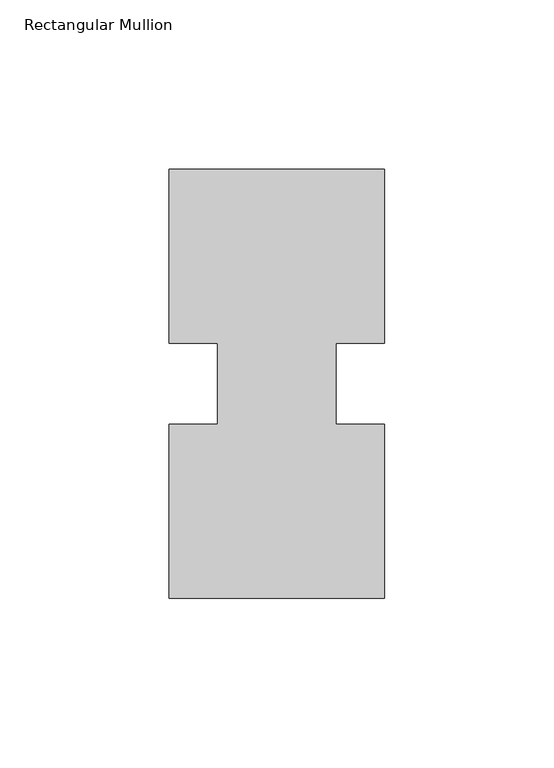
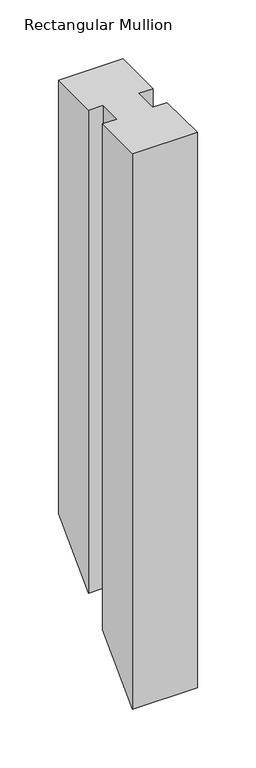
"""IFC4 building model written with IfcOpenShell, lengths in millimetres: member geometry, Rectangular Mullion."""

from ifc_helpers import new_model, si_unit, origin, place, context, project, spatial, faceted_brep, source, transform, mapped, element, save


def rectangular_mullion_ed9f6d19(model_context):
    return source(origin(), model_context, "Body", "Brep", [
        faceted_brep([(0.0, 0.26035, 0.0), (0.0, 51.60645, 0.0), (-14.2748, 51.60645, 0.0), (-14.2748, 75.40625, 0.0), (0.0, 75.40625, 0.0), (0.0, 126.75235, 0.0), (-63.5, 126.75235, 0.0), (-63.5, 75.40625, 0.0), (-49.2125, 75.40625, 0.0), (-49.2125, 51.60645, 0.0), (-63.5, 51.60645, 0.0), (-63.5, 0.26035, 0.0), (0.0, 0.26035, -577.5896494), (0.0, 51.60645, -526.2435494), (-14.2748, 51.60645, -526.2435494), (-14.2748, 75.40625, -502.4437494), (0.0, 75.40625, -502.4437494), (0.0, 126.75235, -451.0976494), (-63.5, 126.75235, -451.0976494), (-63.5, 75.40625, -502.4437494), (-49.2125, 75.40625, -502.4437494), (-49.2125, 51.60645, -526.2435494), (-63.5, 51.60645, -526.2435494), (-63.5, 0.26035, -577.5896494)], [[[0, 1, 2, 3, 4, 5, 6, 7, 8, 9, 10, 11]], [[1, 0, 12, 13]], [[2, 1, 13, 14]], [[3, 2, 14, 15]], [[4, 3, 15, 16]], [[5, 4, 16, 17]], [[6, 5, 17, 18]], [[7, 6, 18, 19]], [[8, 7, 19, 20]], [[9, 8, 20, 21]], [[10, 9, 21, 22]], [[11, 10, 22, 23]], [[0, 11, 23, 12]], [[12, 23, 22, 21, 20, 19, 18, 17, 16, 15, 14, 13]]]),
    ])


if __name__ == "__main__":
    model = new_model("IFC4")
    model_context = context("Model", 3, world=origin())
    ifc_project = project(units=[si_unit("LENGTHUNIT", "METRE", prefix="MILLI")], contexts=[model_context])
    site = spatial("IfcSite", under=ifc_project)
    building = spatial("IfcBuilding", under=site)
    placement = place(None, origin())
    rectangular_mullion_shape = rectangular_mullion_ed9f6d19(model_context)
    element("IfcMember", 1, ObjectType="Rectangular Mullion", at=placement, inside=building, context=model_context, shape_type="MappedRepresentation", body=[
        mapped(rectangular_mullion_shape, transform((0.0, 0.0, 0.0), x_axis=(1.0, 0.0, 0.0), y_axis=(0.0, 1.0, 0.0), z_axis=(0.0, 0.0, 1.0))),
    ])
    save(model, "model.ifc")
